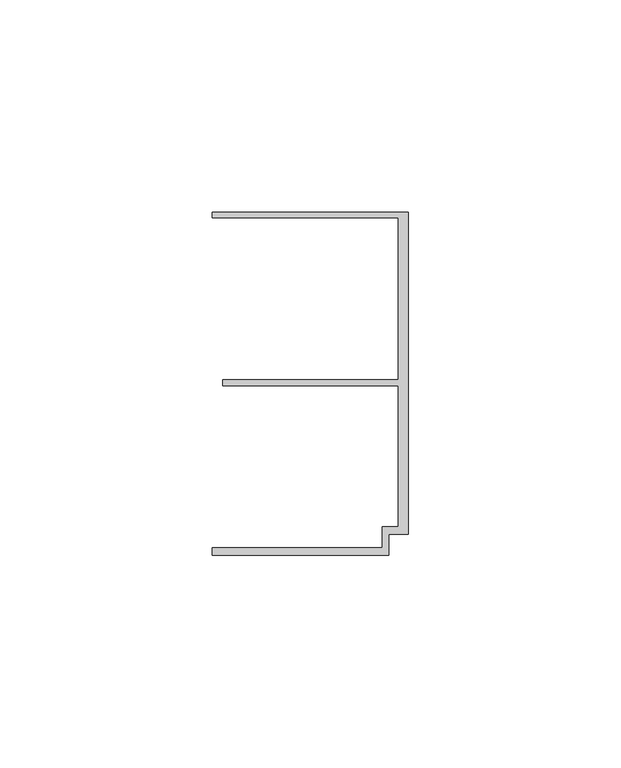
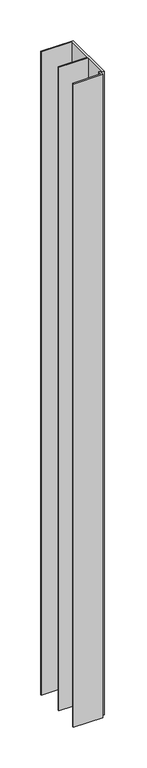
"""IFC4 building model written with IfcOpenShell, lengths in millimetres: member geometry."""

from ifc_helpers import new_model, si_unit, frame, origin, place, context, project, spatial, polyline, outline, extrude, source, transform, mapped, element, save


def member_23f4f106(model_context):
    return source(origin(), model_context, "Body", "SweptSolid", [
        extrude(outline(polyline([(-6.2, -33.95), (-2.4, -33.95), (-2.4, -0.75), (-43.8, -0.75), (-43.8, 0.75), (-2.4, 0.75), (-2.4, 38.95), (-46.3, 38.95), (-46.3, 40.25), (0.0, 40.25), (0.0, -35.75), (-4.6999992, -35.75), (-4.6999992, -40.65), (-46.3, -40.65), (-46.3, -38.95), (-6.2, -38.95), (-6.2, -33.95)])), frame((0.0, 0.0, -967.3998979), z_axis=(0.0, 0.0, 1.0), x_axis=(1.0, 0.0, 0.0)), (0.0, 0.0, 1.0), 967.3998979),
    ])


if __name__ == "__main__":
    model = new_model("IFC4")
    model_context = context("Model", 3, world=origin())
    ifc_project = project(units=[si_unit("LENGTHUNIT", "METRE", prefix="MILLI")], contexts=[model_context])
    site = spatial("IfcSite", under=ifc_project)
    building = spatial("IfcBuilding", under=site)
    placement = place(None, origin())
    member_shape = member_23f4f106(model_context)
    element("IfcMember", 1, at=placement, inside=building, context=model_context, shape_type="MappedRepresentation", body=[
        mapped(member_shape, transform((0.0, 0.0, 0.0), x_axis=(1.0, 0.0, 0.0), y_axis=(0.0, 1.0, 0.0), z_axis=(0.0, 0.0, 1.0))),
    ])
    save(model, "model.ifc")
